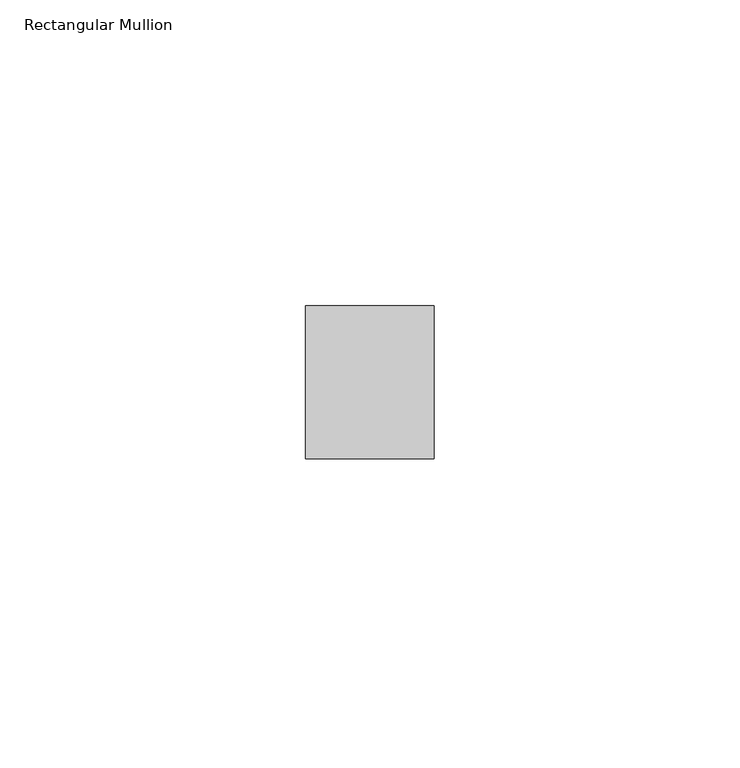
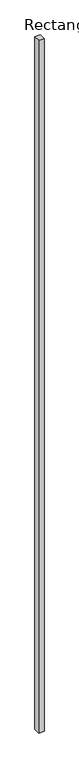
"""IFC4 building model written with IfcOpenShell, lengths in millimetres: member geometry, Rectangular Mullion."""

from ifc_helpers import new_model, si_unit, frame, origin, place, context, project, spatial, polyline, outline, extrude, source, transform, mapped, element, save


def rectangular_mullion_6a74d985(model_context):
    return source(origin(), model_context, "Body", "SweptSolid", [
        extrude(outline(polyline([(0.0, 44.5), (0.0, 19.5), (-21.0, 19.5), (-21.0, 44.5), (0.0, 44.5)])), frame((0.0, 0.0, -2850.0), z_axis=(0.0, 0.0, 1.0), x_axis=(1.0, 0.0, 0.0)), (0.0, 0.0, 1.0), 2850.0),
    ])


if __name__ == "__main__":
    model = new_model("IFC4")
    model_context = context("Model", 3, world=origin())
    ifc_project = project(units=[si_unit("LENGTHUNIT", "METRE", prefix="MILLI")], contexts=[model_context])
    site = spatial("IfcSite", under=ifc_project)
    building = spatial("IfcBuilding", under=site)
    placement = place(None, origin())
    rectangular_mullion_shape = rectangular_mullion_6a74d985(model_context)
    element("IfcMember", 1, ObjectType="Rectangular Mullion", at=placement, inside=building, context=model_context, shape_type="MappedRepresentation", body=[
        mapped(rectangular_mullion_shape, transform((0.0, 0.0, 0.0), x_axis=(1.0, 0.0, 0.0), y_axis=(0.0, 1.0, 0.0), z_axis=(0.0, 0.0, 1.0))),
    ])
    save(model, "model.ifc")
